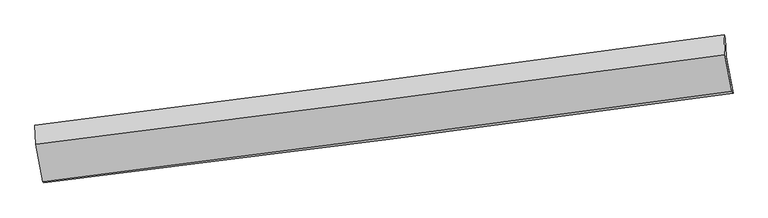
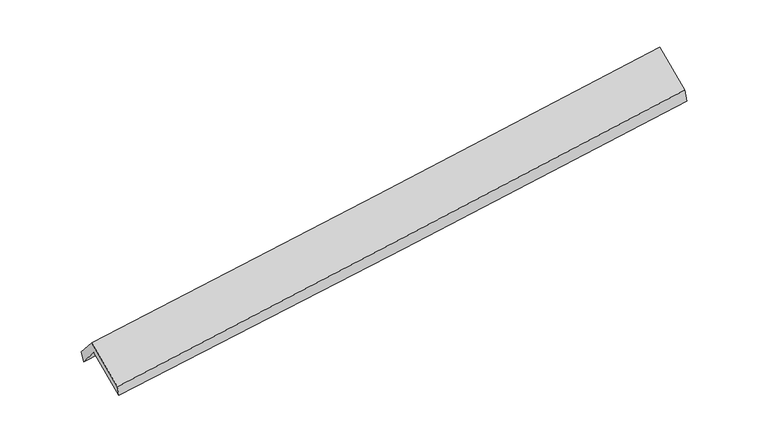
"""IFC4 building model written with IfcOpenShell, lengths in millimetres: proxy geometry."""

from ifc_helpers import new_model, si_unit, frame, origin, place, context, project, spatial, source, transform, mapped, element, save
from ifc_brep_helpers import plane_surface, spline_curve, spline_surface, advanced_brep


def generic_models_79fe7a14(model_context):
    return source(origin(), model_context, "Body", "AdvancedBrep", [
        advanced_brep(
        [(-4743.5846243, -2195.647244, 1765.5062808), (-4752.9672001, -1940.5922766, 1465.5757536), (4667.0758329, -714.0280806, 2200.8085404), (4676.4584087, -969.0830481, 2500.7390676), (-4768.3868947, -1904.1171711, 1606.0577556), (4650.2071199, -670.0378269, 2347.7266042), (-4758.947944, -2160.7046277, 1907.7904052), (4660.1225532, -939.5779366, 2664.6908571), (-4660.1121097, -2673.304026, 1468.794219), (4756.2660301, -1438.2137682, 2237.6532346), (-4647.6925655, -2692.9791281, 1339.5853743), (4772.3504675, -1466.4149322, 2074.8181611)],
        [
            (0, 1),
            (1, 2, spline_curve(3, [(-4752.9672001, -1940.5922766, 1465.5757536), (-3176.962092195, -1745.312865565, 1584.543152617), (-1601.741817844, -1545.157162758, 1705.474766345), (1538.26371297, -1136.247670505, 1950.574419402), (3103.057782633, -927.548641306, 2074.720401359), (4667.0758329, -714.0280806, 2200.8085404)], [4, 2, 4], [0.0, 15.674105351226714, 31.259952743059223])),
            (2, 3),
            (3, 0, spline_curve(3, [(4676.4584087, -969.0830481, 2500.7390676), (3112.440358433, -1182.603608806, 2374.650928559), (1547.64628877, -1391.302638005, 2250.504946602), (-1592.359242044, -1800.212130258, 2005.405293545), (-3167.579516395, -2000.367832965, 1884.473679817), (-4743.5846243, -2195.647244, 1765.5062808)], [4, 2, 4], [0.0, 15.585847391832509, 31.259952743059223])),
            (1, 4),
            (4, 5, spline_curve(3, [(-4768.3868947, -1904.1171711, 1606.0577556), (-3193.106977768, -1705.076649908, 1728.246213832), (-1618.369709332, -1502.415897451, 1851.323181385), (1521.155534678, -1091.015461232, 2098.55610897), (3085.949604796, -882.316431891, 2222.702090914), (4650.2071199, -670.0378269, 2347.7266042)], [4, 2, 4], [0.0, 15.674105384873771, 31.259952810163874])),
            (5, 2),
            (4, 6),
            (6, 7, spline_curve(3, [(-4758.947944, -2160.7046277, 1907.7904052), (-3183.429561988, -1968.146528061, 2037.601832298), (-1608.533465783, -1769.803326901, 2165.756001504), (1531.149711627, -1362.696129841, 2418.037540825), (3095.9437814, -1153.997100625, 2542.183522826), (4660.1225532, -939.5779366, 2664.6908571)], [4, 2, 4], [0.0, 15.67413666302185, 31.260015190338624])),
            (7, 5),
            (6, 8),
            (8, 9, spline_curve(3, [(-4660.1121097, -2673.304026, 1468.794219), (-3085.411271581, -2476.505837477, 1602.236908407), (-1511.148425744, -2274.8783671, 1733.203764548), (1627.639368972, -1863.127381708, 1989.462299309), (3192.169236089, -1653.058099735, 2114.781781924), (4756.2660301, -1438.2137682, 2237.6532346)], [4, 2, 4], [0.0, 15.674253579756696, 31.260248365472023])),
            (9, 7),
            (8, 10),
            (10, 11, spline_curve(3, [(-4647.6925655, -2692.9791281, 1339.5853743), (-3071.687457475, -2497.699717089, 1458.552773014), (-1496.46718329, -2297.544014571, 1579.484386713), (1643.538347815, -1888.634521893, 1824.584040632), (3208.332417543, -1679.935492599, 1948.730022552), (4772.3504675, -1466.4149322, 2074.8181611)], [4, 2, 4], [0.0, 15.674172908622715, 31.260087477448145])),
            (11, 9),
            (10, 0),
            (3, 11),
        ],
        [
            spline_surface(3, 3, [[(-4743.5846243, -2195.647244, 1765.5062808), (-3167.579516496, -2000.36783304, 1884.473679629), (-1592.359241992, -1800.212130304, 2005.405293285), (1547.646288718, -1391.302637958, 2250.504946861), (3112.440358563, -1182.603608748, 2374.650928806), (4676.4584087, -969.0830481, 2500.7390676)], [(-4746.712149564, -2110.628921518, 1665.529438399), (-3170.70704176, -1915.349510558, 1784.496837228), (-1595.486767256, -1715.193807823, 1905.428450884), (1544.518763455, -1306.284315477, 2150.52810446), (3109.312833299, -1097.585286266, 2274.674086405), (4673.330883436, -884.064725618, 2400.762225199)], [(-4749.839674836, -2025.610599082, 1565.552596001), (-3173.834567033, -1830.331188121, 1684.51999483), (-1598.614292529, -1630.175485286, 1805.451608486), (1541.391238182, -1221.26599294, 2050.551262062), (3106.185308026, -1012.56696373, 2174.697244006), (4670.203358164, -799.046403082, 2300.785382801)], [(-4752.9672001, -1940.5922766, 1465.5757536), (-3176.962092296, -1745.31286564, 1584.543152429), (-1601.741817792, -1545.157162804, 1705.474766085), (1538.263712918, -1136.247670458, 1950.574419661), (3103.057782763, -927.548641248, 2074.720401606), (4667.0758329, -714.0280806, 2200.8085404)]], [4, 4], [4, 2, 4], [0.0, 1.2920820186122928], [0.0, 15.674105351226714, 31.259952743059223]),
            spline_surface(3, 3, [[(-4752.9672001, -1940.5922766, 1465.5757536), (-3176.962092296, -1745.31286564, 1584.543152429), (-1601.741817792, -1545.157162804, 1705.474766085), (1538.263712918, -1136.247670458, 1950.574419661), (3103.057782763, -927.548641248, 2074.720401606), (4667.0758329, -714.0280806, 2200.8085404)], [(-4758.107098299, -1928.433908121, 1512.403087598), (-3182.343720841, -1731.900793674, 1632.444172917), (-1607.28444838, -1530.910074364, 1754.090904557), (1532.560986861, -1121.170267364, 1999.90164942), (3097.355056706, -912.471238154, 2124.047631365), (4661.452928575, -699.364662696, 2249.781228347)], [(-4763.246996501, -1916.275539579, 1559.230421602), (-3187.72534939, -1718.488721645, 1680.345193413), (-1612.827078891, -1516.662985935, 1802.707042987), (1526.858260881, -1106.092864283, 2049.228879137), (3091.652330625, -897.393835072, 2173.374861082), (4655.830024225, -684.701244804, 2298.753916253)], [(-4768.3868947, -1904.1171711, 1606.0577556), (-3193.106977935, -1705.076649679, 1728.246213902), (-1618.369709478, -1502.415897495, 1851.323181459), (1521.155534823, -1091.015461189, 2098.556108897), (3085.949604568, -882.316431978, 2222.702090842), (4650.2071199, -670.0378269, 2347.7266042)]], [4, 4], [4, 2, 4], [0.0, 0.5061534484482154], [0.0, 15.674105384873771, 31.259952810163874]),
            spline_surface(3, 3, [[(-4768.3868947, -1904.1171711, 1606.0577556), (-3193.106977935, -1705.076649679, 1728.246213902), (-1618.369709478, -1502.415897495, 1851.323181459), (1521.155534823, -1091.015461189, 2098.556108897), (3085.949604568, -882.316431978, 2222.702090842), (4650.2071199, -670.0378269, 2347.7266042)], [(-4765.240577807, -1989.646323283, 1706.635305461), (-3189.881172541, -1792.766609054, 1831.364753443), (-1615.090961574, -1591.545040555, 1956.13412137), (1524.486927128, -1181.57568416, 2205.049919589), (3089.280996872, -972.876654949, 2329.195901534), (4653.512264321, -759.884530139, 2453.381355173)], [(-4762.094260893, -2075.175475517, 1807.212855339), (-3186.655367124, -1880.456568479, 1934.483293002), (-1611.812213733, -1680.674183597, 2060.945061362), (1527.818319369, -1272.135907113, 2311.543730362), (3092.612389213, -1063.436877903, 2435.689712207), (4656.817408779, -849.731233361, 2559.036106127)], [(-4758.947944, -2160.7046277, 1907.7904052), (-3183.42956173, -1968.146527854, 2037.601832543), (-1608.533465829, -1769.803326657, 2165.756001274), (1531.149711673, -1362.696130084, 2418.037541054), (3095.943781517, -1153.997100874, 2542.183522899), (4660.1225532, -939.5779366, 2664.6908571)]], [4, 4], [4, 2, 4], [0.0, 1.3653698784258395], [0.0, 15.67413666302185, 31.260015190338624]),
            spline_surface(3, 3, [[(-4758.947944, -2160.7046277, 1907.7904052), (-3183.42956173, -1968.146527854, 2037.601832543), (-1608.533465829, -1769.803326657, 2165.756001274), (1531.149711673, -1362.696130084, 2418.037541054), (3095.943781517, -1153.997100874, 2542.183522899), (4660.1225532, -939.5779366, 2664.6908571)], [(-4726.002665906, -2331.571093815, 1761.458343137), (-3150.756798402, -2137.599631029, 1892.480191215), (-1576.071785787, -1938.1616734, 2021.5719223), (1563.312930766, -1529.506547337, 2275.179127199), (3128.018933077, -1320.350767143, 2399.716275987), (4692.170378837, -1105.789880469, 2522.344982928)], [(-4693.057387794, -2502.437559885, 1615.126281063), (-3118.084035057, -2307.052734158, 1747.358549876), (-1543.610105756, -2106.520020182, 1877.387843334), (1595.476149849, -1696.316964629, 2132.320713352), (3160.094084626, -1486.704433405, 2257.249029092), (4724.218204463, -1272.001824331, 2379.999108772)], [(-4660.1121097, -2673.304026, 1468.794219), (-3085.411271729, -2476.505837332, 1602.236908549), (-1511.148425714, -2274.878366925, 1733.20376436), (1627.639368942, -1863.127381882, 1989.462299497), (3192.169236186, -1653.058099675, 2114.78178218), (4756.2660301, -1438.2137682, 2237.6532346)]], [4, 4], [4, 2, 4], [0.0, 2.1948943760969684], [0.0, 15.674253579756696, 31.260248365472023]),
            spline_surface(3, 3, [[(-4660.1121097, -2673.304026, 1468.794219), (-3085.411271729, -2476.505837332, 1602.236908549), (-1511.148425714, -2274.878366925, 1733.20376436), (1627.639368942, -1863.127381882, 1989.462299497), (3192.169236186, -1653.058099675, 2114.78178218), (4756.2660301, -1438.2137682, 2237.6532346)], [(-4655.972261604, -2679.862393359, 1425.724604124), (-3080.836667022, -2483.570463927, 1554.342196766), (-1506.254678188, -2282.433582741, 1681.96397187), (1632.939028486, -1871.629761931, 1934.50287982), (3197.556963263, -1662.017230707, 2059.431195559), (4761.627509252, -1447.614156175, 2183.374876771)], [(-4651.832413596, -2686.420760741, 1382.654989176), (-3076.262062404, -2490.635090544, 1506.447484911), (-1501.360930618, -2289.988798588, 1630.724179375), (1638.238688074, -1880.13214201, 1879.543460138), (3202.944690286, -1670.976361816, 2004.080608926), (4766.988988348, -1457.014544225, 2129.096518929)], [(-4647.6925655, -2692.9791281, 1339.5853743), (-3071.687457696, -2497.69971714, 1458.552773129), (-1496.467183092, -2297.544014404, 1579.484386885), (1643.538347618, -1888.634522058, 1824.584040461), (3208.332417363, -1679.935492848, 1948.730022306), (4772.3504675, -1466.4149322, 2074.8181611)]], [4, 4], [4, 2, 4], [0.0, 0.5308424630526302], [0.0, 15.674172908622715, 31.260087477448145]),
            spline_surface(3, 3, [[(-4647.6925655, -2692.9791281, 1339.5853743), (-3071.687457696, -2497.69971714, 1458.552773129), (-1496.467183092, -2297.544014404, 1579.484386885), (1643.538347618, -1888.634522058, 1824.584040461), (3208.332417363, -1679.935492848, 1948.730022306), (4772.3504675, -1466.4149322, 2074.8181611)], [(-4679.656585121, -2527.201833403, 1481.559009781), (-3103.651477317, -2331.922422443, 1600.52640861), (-1528.431202713, -2131.766719708, 1721.458022366), (1611.574327998, -1722.857227362, 1966.557675942), (3176.368397742, -1514.158198151, 2090.703657787), (4740.386447879, -1300.637637503, 2216.791796581)], [(-4711.620604679, -2361.424538697, 1623.532645319), (-3135.615496875, -2166.145127736, 1742.500044147), (-1560.395222371, -1965.989425001, 1863.431657804), (1579.610308339, -1557.079932655, 2108.531311379), (3144.404378184, -1348.380903445, 2232.677293324), (4708.422428321, -1134.860342797, 2358.765432119)], [(-4743.5846243, -2195.647244, 1765.5062808), (-3167.579516496, -2000.36783304, 1884.473679629), (-1592.359241992, -1800.212130304, 2005.405293285), (1547.646288718, -1391.302637958, 2250.504946861), (3112.440358563, -1182.603608748, 2374.650928806), (4676.4584087, -969.0830481, 2500.7390676)]], [4, 4], [4, 2, 4], [0.0, 2.1711697847000577], [0.0, 15.674105351226714, 31.259952743059223]),
            plane_surface(frame((4697.0800687, -1032.8925988, 2337.7394109), z_axis=(0.9891591723387909, 0.12568772285505903, 0.07593897616868575), x_axis=(0.09687086911700689, -0.16984562046946736, -0.9806979656978276))),
            plane_surface(frame((-4721.9485564, -2261.2240789, 1592.2182981), z_axis=(-0.9891591723387831, -0.12568772285525584, -0.07593897616845931), x_axis=(0.14490183796287448, -0.7515148275754313, -0.6436061849370704))),
        ],
        [
            (0, [[1, 2, 3, 4]]),
            (1, [[5, 6, 7, -2]]),
            (2, [[8, 9, 10, -6]]),
            (3, [[11, 12, 13, -9]]),
            (4, [[14, 15, 16, -12]]),
            (5, [[17, -4, 18, -15]]),
            (6, [[-16, -18, -3, -7, -10, -13]]),
            (7, [[-17, -14, -11, -8, -5, -1]]),
        ],
    ),
    ])


if __name__ == "__main__":
    model = new_model("IFC4")
    model_context = context("Model", 3, world=origin())
    ifc_project = project(units=[si_unit("LENGTHUNIT", "METRE", prefix="MILLI")], contexts=[model_context])
    site = spatial("IfcSite", under=ifc_project)
    building = spatial("IfcBuilding", under=site)
    placement = place(None, origin())
    generic_models_shape = generic_models_79fe7a14(model_context)
    element("IfcBuildingElementProxy", 1, Name="Generic Models", at=placement, inside=building, context=model_context, shape_type="MappedRepresentation", body=[
        mapped(generic_models_shape, transform((0.0, 0.0, 0.0), x_axis=(1.0, 0.0, 0.0), y_axis=(0.0, 1.0, 0.0), z_axis=(0.0, 0.0, 1.0))),
    ])
    save(model, "model.ifc")
